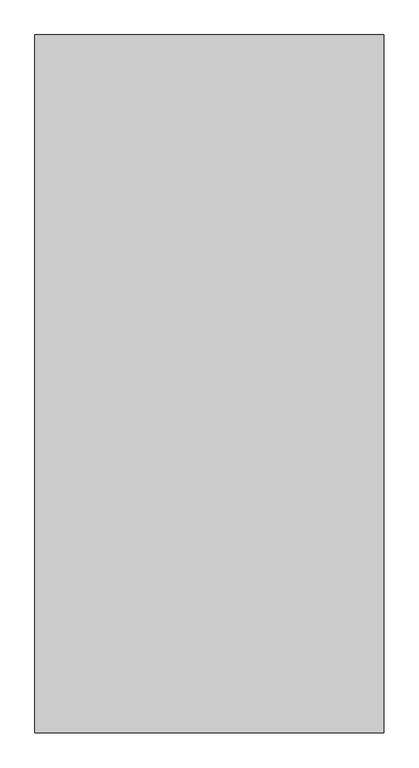
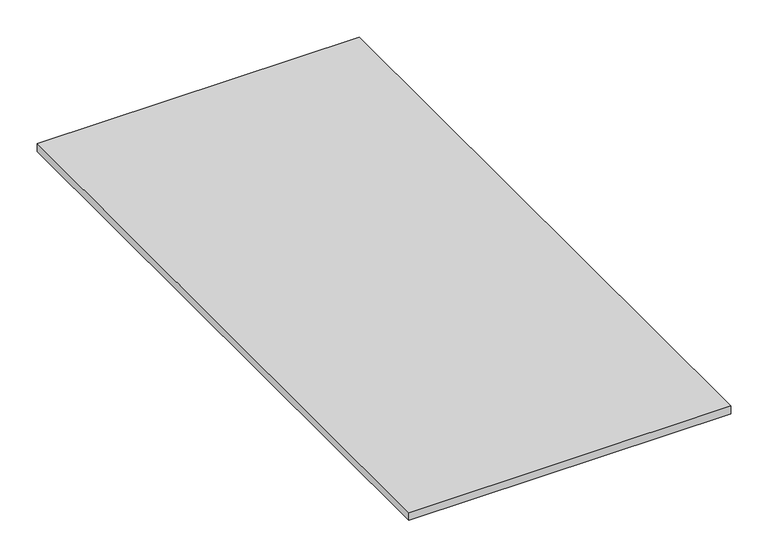
"""IFC4 building model written with IfcOpenShell, lengths in millimetres: proxy geometry."""

from ifc_helpers import new_model, si_unit, origin, origin_with_axes, place, context, project, spatial, polyline, outline, extrude, source, transform, mapped, element, save


def generic_models_5c453cd9(model_context):
    return source(origin(), model_context, "Body", "SweptSolid", [
        extrude(outline(polyline([(-16829.2833082, -1552.8374841), (-16829.2833082, -2552.8374841), (-17329.2833082, -2552.8374841), (-17329.2833082, -1552.8374841), (-16829.2833082, -1552.8374841)])), origin_with_axes(), (0.0, 0.0, 1.0), 13.0),
    ])


if __name__ == "__main__":
    model = new_model("IFC4")
    model_context = context("Model", 3, world=origin())
    ifc_project = project(units=[si_unit("LENGTHUNIT", "METRE", prefix="MILLI")], contexts=[model_context])
    site = spatial("IfcSite", under=ifc_project)
    building = spatial("IfcBuilding", under=site)
    placement = place(None, origin())
    generic_models_shape = generic_models_5c453cd9(model_context)
    element("IfcBuildingElementProxy", 1, Name="Generic Models", at=placement, inside=building, context=model_context, shape_type="MappedRepresentation", body=[
        mapped(generic_models_shape, transform((0.0, 0.0, 0.0), x_axis=(1.0, 0.0, 0.0), y_axis=(0.0, 1.0, 0.0), z_axis=(0.0, 0.0, 1.0))),
    ])
    save(model, "model.ifc")
